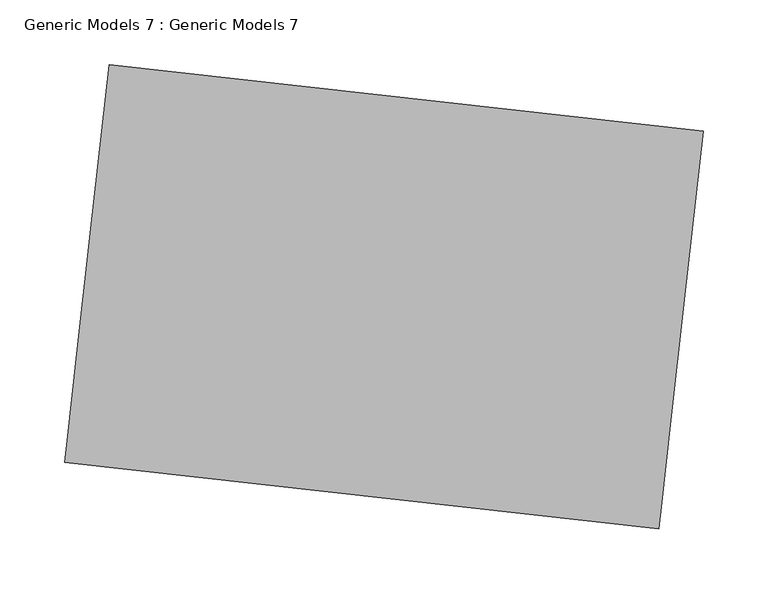
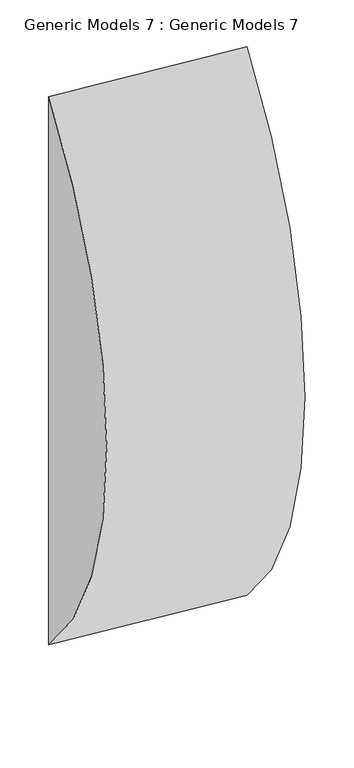
"""IFC4 building model written with IfcOpenShell, lengths in millimetres: proxy geometry, Generic Models 7 : Generic Models 7."""

from ifc_helpers import new_model, si_unit, point, frame, frame_2d, origin, place, context, project, spatial, polyline, circle_curve, trimmed, segment, composite_curve, outline, extrude, source, transform, mapped, element, save


def generic_models_7_generic_models_7_5e35675c(model_context):
    return source(origin(), model_context, "Body", "SweptSolid", [
        extrude(outline(composite_curve([segment(polyline([(-1670.849719, 0.0), (-245.3007368, 0.0)]), True, "CONTINUOUS"), segment(trimmed(circle_curve(frame_2d((-958.0752279, 668.8843672)), 977.4731567), [point((-245.3007368, 0.0))], [point((-1670.849719, 0.0))], False, "CARTESIAN"), True, "CONTINUOUS")], self_intersect=False)), frame((132517.5709011, -31226.9913949, 2995.950474), z_axis=(-0.9937836159457172, 0.11132890315571888, 0.0), x_axis=(0.0, 0.0, 1.0)), (0.0, 0.0, 1.0), 460.9031057),
    ])


if __name__ == "__main__":
    model = new_model("IFC4")
    model_context = context("Model", 3, world=origin())
    ifc_project = project(units=[si_unit("LENGTHUNIT", "METRE", prefix="MILLI")], contexts=[model_context])
    site = spatial("IfcSite", under=ifc_project)
    building = spatial("IfcBuilding", under=site)
    placement = place(None, origin())
    generic_models_7_generic_models_7_shape = generic_models_7_generic_models_7_5e35675c(model_context)
    element("IfcBuildingElementProxy", 1, Name="Generic Models 7 : Generic Models 7", ObjectType="Generic Models 7 : Generic Models 7", at=placement, inside=building, context=model_context, shape_type="MappedRepresentation", body=[
        mapped(generic_models_7_generic_models_7_shape, transform((0.0, 0.0, 0.0), x_axis=(1.0, 0.0, 0.0), y_axis=(0.0, 1.0, 0.0), z_axis=(0.0, 0.0, 1.0))),
    ])
    save(model, "model.ifc")
